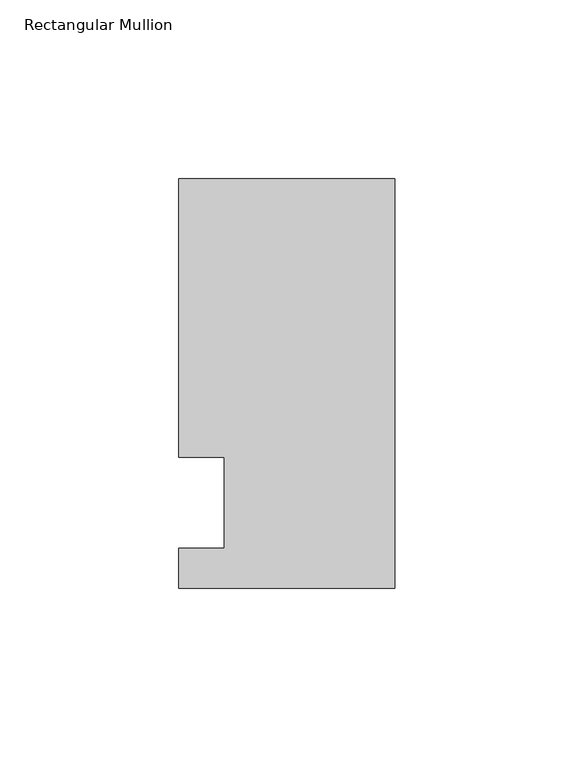
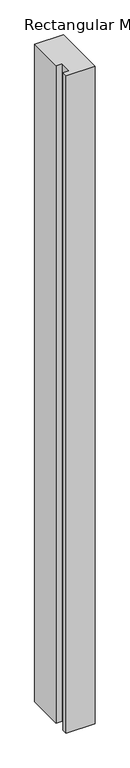
"""IFC4 building model written with IfcOpenShell, lengths in millimetres: member geometry, Rectangular Mullion."""

from ifc_helpers import new_model, si_unit, frame, origin, place, context, project, spatial, polyline, outline, extrude, source, transform, mapped, element, save


def rectangular_mullion_cef22a5a(model_context):
    return source(origin(), model_context, "Body", "SweptSolid", [
        extrude(outline(polyline([(-60.325, 90.4875), (0.0, 90.4875), (0.0, -23.8125), (-60.325, -23.8125), (-60.325, -12.7), (-47.6232296, -12.7), (-47.6232296, 12.7), (-60.325, 12.7), (-60.325, 90.4875)])), frame((0.0, 0.0, -1456.2666667), z_axis=(0.0, 0.0, 1.0), x_axis=(1.0, 0.0, 0.0)), (0.0, 0.0, 1.0), 1456.2666667),
    ])


if __name__ == "__main__":
    model = new_model("IFC4")
    model_context = context("Model", 3, world=origin())
    ifc_project = project(units=[si_unit("LENGTHUNIT", "METRE", prefix="MILLI")], contexts=[model_context])
    site = spatial("IfcSite", under=ifc_project)
    building = spatial("IfcBuilding", under=site)
    placement = place(None, origin())
    rectangular_mullion_shape = rectangular_mullion_cef22a5a(model_context)
    element("IfcMember", 1, ObjectType="Rectangular Mullion", at=placement, inside=building, context=model_context, shape_type="MappedRepresentation", body=[
        mapped(rectangular_mullion_shape, transform((0.0, 0.0, 0.0), x_axis=(1.0, 0.0, 0.0), y_axis=(0.0, 1.0, 0.0), z_axis=(0.0, 0.0, 1.0))),
    ])
    save(model, "model.ifc")
